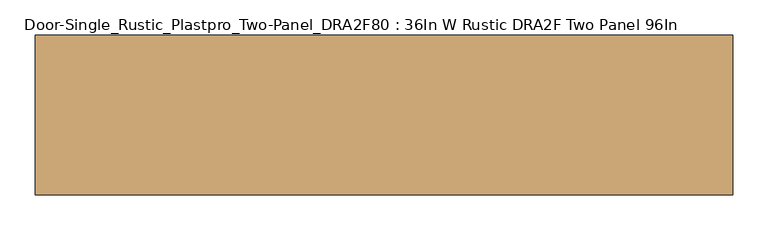
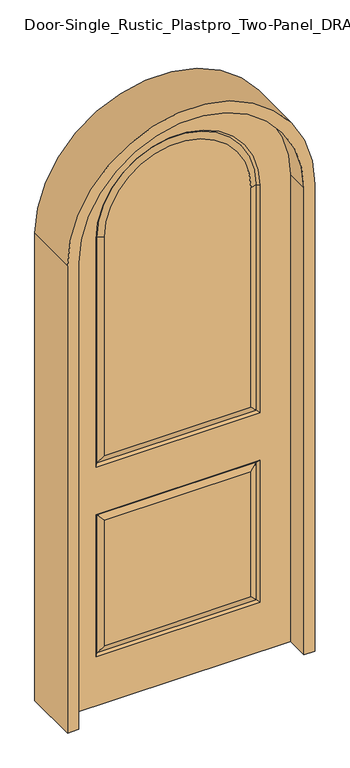
"""IFC4 building model written with IfcOpenShell, lengths in millimetres: door geometry, Door-Single_Rustic_Plastpro_Two-Panel_DRA2F80 : 36In W Rustic DRA2F Two Panel 96In."""

import ifcopenshell
import ifcopenshell.guid

model = None  # the IFC model being written
_history = None  # IfcOwnerHistory: only IFC2X3 demands one
_inside = {}  # id of a spatial element -> (the spatial element, [elements in it])
_under = {}  # id of a project, library or spatial element -> (it, [spatial elements below it])
_declared = {}  # id of a project -> (the project, [libraries it declares])
_typed = {}  # id of a type object -> (the type object, [elements of that type])
_made_of = {}  # id of a material, layer set ... -> (it, [elements and type objects made of it])


def new_model(schema):
    """Start an empty IFC model of exactly this schema.

    Asked for "IFC4X3", IfcOpenShell would pick the latest addendum, in which some entities
    have other attributes; the version numbers below select the first issue.
    IFC2X3 requires an IfcOwnerHistory on every rooted entity: one is made here for all.
    """
    global model, _history
    if schema == "IFC4X3":
        model = ifcopenshell.file(schema_version=(4, 3, 0, 0))
    else:
        model = ifcopenshell.file(schema=schema)
    _inside.clear()
    _under.clear()
    _declared.clear()
    _typed.clear()
    _made_of.clear()
    _history = None
    if model.schema == "IFC2X3":
        org = make("IfcOrganization", Name="unknown")
        user = make(
            "IfcPersonAndOrganization",
            ThePerson=make("IfcPerson", FamilyName="unknown"),
            TheOrganization=org,
        )
        app = make(
            "IfcApplication",
            ApplicationDeveloper=org,
            Version="unknown",
            ApplicationFullName="unknown",
            ApplicationIdentifier="unknown",
        )
        _history = make(
            "IfcOwnerHistory",
            OwningUser=user,
            OwningApplication=app,
            ChangeAction="ADDED",
            CreationDate=0,
        )
    return model


def make(cls, **values):
    """One entity of the class cls with the attributes given. An attribute that is None is left unset."""
    return model.create_entity(
        cls, **{name: value for name, value in values.items() if value is not None}
    )


def rooted(cls, **values):
    """An entity with a GlobalId (a new one), such as an element, a storey or a relation."""
    return make(cls, GlobalId=ifcopenshell.guid.new(), OwnerHistory=_history, **values)


def si_unit(unit_type, name, prefix=None):
    """IfcSIUnit, for example si_unit("LENGTHUNIT", "METRE", prefix="MILLI")."""
    return make("IfcSIUnit", UnitType=unit_type, Prefix=prefix, Name=name)


def assignment(units):
    """IfcUnitAssignment: the units of a project."""
    return None if units is None else make("IfcUnitAssignment", Units=units)


def point(xyz):
    """IfcCartesianPoint."""
    return None if xyz is None else make("IfcCartesianPoint", Coordinates=xyz)


def direction(xyz):
    """IfcDirection."""
    return None if xyz is None else make("IfcDirection", DirectionRatios=xyz)


def frame(location, z_axis=None, x_axis=None):
    """IfcAxis2Placement3D, a coordinate frame: its origin and axes. An axis left out is left unset."""
    return make(
        "IfcAxis2Placement3D",
        Location=point(location),
        Axis=direction(z_axis),
        RefDirection=direction(x_axis),
    )


def frame_2d(location, x_axis=None):
    """IfcAxis2Placement2D, a coordinate frame in the plane: its origin and x axis."""
    return make(
        "IfcAxis2Placement2D", Location=point(location), RefDirection=direction(x_axis)
    )


def origin():
    """The frame at (0, 0, 0) with its axes left unset."""
    return frame((0.0, 0.0, 0.0))


def place(relative_to, where):
    """IfcLocalPlacement: puts the frame where relative to a parent placement (None: the world)."""
    return make(
        "IfcLocalPlacement", PlacementRelTo=relative_to, RelativePlacement=where
    )


def context(
    kind, dimensions, precision=None, world=None, true_north=None, identifier=None
):
    """IfcGeometricRepresentationContext, for example the 3D "Model" context."""
    return make(
        "IfcGeometricRepresentationContext",
        ContextIdentifier=identifier,
        ContextType=kind,
        CoordinateSpaceDimension=dimensions,
        Precision=precision,
        WorldCoordinateSystem=world,
        TrueNorth=true_north,
    )


def project(units=None, contexts=None):
    """IfcProject with its units and contexts."""
    return rooted(
        "IfcProject",
        Name="project",
        RepresentationContexts=contexts,
        UnitsInContext=assignment(units),
    )


def spatial(cls, under=None, at=None, **own):
    """A site, building, storey or space (cls), placed at a placement, below another one or the project."""
    s = rooted(cls, ObjectPlacement=at, **own)
    if under is not None:
        _under.setdefault(under.id(), (under, []))[1].append(s)
    return s


def polyline(points):
    """IfcPolyline through the points."""
    return make("IfcPolyline", Points=[point(p) for p in points])


def circle_curve(where, radius):
    """IfcCircle in the frame where."""
    return make("IfcCircle", Position=where, Radius=radius)


def trimmed(basis, trim1, trim2, sense, master):
    """IfcTrimmedCurve: the piece of a basis curve between two trims."""
    return make(
        "IfcTrimmedCurve",
        BasisCurve=basis,
        Trim1=trim1,
        Trim2=trim2,
        SenseAgreement=sense,
        MasterRepresentation=master,
    )


def segment(curve, same_sense, transition):
    """IfcCompositeCurveSegment."""
    return make(
        "IfcCompositeCurveSegment",
        Transition=transition,
        SameSense=same_sense,
        ParentCurve=curve,
    )


def composite_curve(segments, self_intersect=None):
    """IfcCompositeCurve: segments joined end to end."""
    return make("IfcCompositeCurve", Segments=segments, SelfIntersect=self_intersect)


def outline(outer, holes=None, kind="AREA"):
    """IfcArbitraryClosedProfileDef: a profile drawn as a closed curve; with holes, ...WithVoids."""
    if holes is None:
        return make("IfcArbitraryClosedProfileDef", ProfileType=kind, OuterCurve=outer)
    return make(
        "IfcArbitraryProfileDefWithVoids",
        ProfileType=kind,
        OuterCurve=outer,
        InnerCurves=holes,
    )


def extrude(swept, where, along, depth):
    """IfcExtrudedAreaSolid: the profile swept, set in the frame where, extruded along a direction by depth."""
    return make(
        "IfcExtrudedAreaSolid",
        SweptArea=swept,
        Position=where,
        ExtrudedDirection=direction(along),
        Depth=depth,
    )


def shape(context_of_items, identifier, shape_type, items):
    """IfcShapeRepresentation: the items that make up one representation, for example the "Body"."""
    return make(
        "IfcShapeRepresentation",
        ContextOfItems=context_of_items,
        RepresentationIdentifier=identifier,
        RepresentationType=shape_type,
        Items=items,
    )


def source(mapping_origin, context_of_items, identifier, shape_type, items):
    """IfcRepresentationMap: a shape defined once, which mapped items show again and again."""
    return make(
        "IfcRepresentationMap",
        MappingOrigin=mapping_origin,
        MappedRepresentation=shape(context_of_items, identifier, shape_type, items),
    )


def transform(
    local_origin,
    x_axis=None,
    y_axis=None,
    z_axis=None,
    scale=None,
    scale2=None,
    scale3=None,
    uniform=True,
):
    """IfcCartesianTransformationOperator3D, or its non-uniform kind. x_axis, y_axis, z_axis: its Axis1, 2, 3."""
    if uniform:
        return make(
            "IfcCartesianTransformationOperator3D",
            Axis1=direction(x_axis),
            Axis2=direction(y_axis),
            LocalOrigin=point(local_origin),
            Scale=scale,
            Axis3=direction(z_axis),
        )
    return make(
        "IfcCartesianTransformationOperator3DnonUniform",
        Axis1=direction(x_axis),
        Axis2=direction(y_axis),
        LocalOrigin=point(local_origin),
        Scale=scale,
        Axis3=direction(z_axis),
        Scale2=scale2,
        Scale3=scale3,
    )


def mapped(mapping_source, mapping_target):
    """IfcMappedItem: shows the shape of a source again, moved by a transform."""
    return make(
        "IfcMappedItem", MappingSource=mapping_source, MappingTarget=mapping_target
    )


def made_of(thing, what):
    """Note that an element or type object is made of a material, layer set ...; save() writes the relation."""
    if what is not None:
        _made_of.setdefault(what.id(), (what, []))[1].append(thing)
    return thing


def element(
    cls,
    number,
    at=None,
    inside=None,
    cuts=None,
    type_object=None,
    material=None,
    context=None,
    identifier="Body",
    shape_type=None,
    held_by="IfcProductDefinitionShape",
    body=None,
    shapes=None,
    **own,
):
    """One element of the class cls, such as IfcWall. Its Tag is "e" and its number.

    at: its placement. inside: the storey or other place that contains it. cuts: it is an
    opening in that element (IfcRelVoidsElement). A single representation is given by context,
    identifier, shape_type and body (its items); several are given by shapes. held_by: the class
    of the entity that holds the representations. save() writes the other relations.
    """
    e = rooted(cls, Tag="e%d" % number, ObjectPlacement=at, **own)
    if body is not None:
        shapes = [shape(context, identifier, shape_type, body)]
    if shapes is not None:
        e.Representation = make(held_by, Representations=shapes)
    if inside is not None:
        _inside.setdefault(inside.id(), (inside, []))[1].append(e)
    if cuts is not None:
        rooted(
            "IfcRelVoidsElement", RelatingBuildingElement=cuts, RelatedOpeningElement=e
        )
    if type_object is not None:
        _typed.setdefault(type_object.id(), (type_object, []))[1].append(e)
    return made_of(e, material)


def aggregate(whole, parts):
    """IfcRelAggregates: a whole, such as a stair, and the parts it consists of."""
    return rooted("IfcRelAggregates", RelatingObject=whole, RelatedObjects=parts)


def save(model, path):
    """Write the relations noted so far, then the file.

    IfcRelAggregates (storeys below a building ...), IfcRelContainedInSpatialStructure (elements
    in a storey), IfcRelDefinesByType, IfcRelAssociatesMaterial and IfcRelDeclares: one each for
    every whole, place, type object, material and project.
    """
    for whole, parts in _under.values():
        aggregate(whole, parts)
    for where, things in _inside.values():
        rooted(
            "IfcRelContainedInSpatialStructure",
            RelatedElements=things,
            RelatingStructure=where,
        )
    for kind, things in _typed.values():
        rooted("IfcRelDefinesByType", RelatedObjects=things, RelatingType=kind)
    for what, things in _made_of.values():
        rooted("IfcRelAssociatesMaterial", RelatedObjects=things, RelatingMaterial=what)
    for by, libraries in _declared.values():
        rooted("IfcRelDeclares", RelatingContext=by, RelatedDefinitions=libraries)
    model.write(path)


def plane_surface(at):
    """IfcPlane: the flat surface through the origin of the frame at, square to its z axis."""
    return make("IfcPlane", Position=at)


def cylinder_surface(at, radius):
    """IfcCylindricalSurface: all points at the distance radius from the z axis of the frame at."""
    return make("IfcCylindricalSurface", Position=at, Radius=radius)


def revolved_surface(curve, axis_point, axis_direction):
    """IfcSurfaceOfRevolution: the curve turned about the line through axis_point along axis_direction."""
    return make(
        "IfcSurfaceOfRevolution",
        SweptCurve=make("IfcArbitraryOpenProfileDef", ProfileType="CURVE", Curve=curve),
        AxisPosition=make("IfcAxis1Placement", Location=point(axis_point), Axis=direction(axis_direction)),
    )


def advanced_brep(points, edges, surfaces, faces):
    """IfcAdvancedBrep: a solid bounded by faces that lie on surfaces and meet in shared edges.

    An edge is (start, end): straight between two places in points (the first is 0);
    or (start, end, curve); or (start, end, curve, False) where it runs against its curve.
    A face is (place in surfaces, loops), or (place, loops, False) where it looks against
    its surface's normal. A loop lists edges by number (the first is 1), with a minus sign
    where the edge is run from its end to its start. The first loop is the outer one.
    """
    corners = [point(p) for p in points]
    vertices = [make("IfcVertexPoint", VertexGeometry=c) for c in corners]
    made = []
    for start, end, *more in edges:
        made.append(
            make(
                "IfcEdgeCurve",
                EdgeStart=vertices[start],
                EdgeEnd=vertices[end],
                EdgeGeometry=more[0] if more else make("IfcPolyline", Points=[corners[start], corners[end]]),
                SameSense=more[1] if len(more) > 1 else True,
            )
        )
    hull = []
    for where, loops, *sense in faces:
        bounds = []
        for j, loop in enumerate(loops):
            ring = [make("IfcOrientedEdge", EdgeElement=made[abs(k) - 1], Orientation=k > 0) for k in loop]
            bounds.append(
                make(
                    "IfcFaceOuterBound" if j == 0 else "IfcFaceBound",
                    Bound=make("IfcEdgeLoop", EdgeList=ring),
                    Orientation=True,
                )
            )
        hull.append(make("IfcAdvancedFace", Bounds=bounds, FaceSurface=surfaces[where], SameSense=sense[0] if sense else True))
    return make("IfcAdvancedBrep", Outer=make("IfcClosedShell", CfsFaces=hull))


def door_single_rustic_plastpro_two_panel_dra2f80_36in_w_rustic_5ebbb071(model_context):
    return source(origin(), model_context, "Body", "SolidModel", [
        advanced_brep(
        [(-321.2197439, -11.6572439, 1024.9802561), (321.2197439, -11.6572439, 1024.9802561), (295.1391864, -20.6375, 1051.0608136), (-295.1391864, -20.6375, 1051.0608136), (-330.2, -20.6375, 1016.0), (330.2, -20.6375, 1016.0), (-321.2197439, -11.6572439, 1984.375), (-330.2, -20.6375, 1984.375), (295.1391864, -20.6375, 1984.375), (-295.1391864, -20.6375, 1984.375), (-457.2, -20.6375, 0.0), (457.2, -20.6375, 0.0), (457.2, -20.6375, 1984.375), (-457.2, -20.6375, 1984.375), (330.2, -20.6375, 1984.375), (330.2, -20.6375, 209.55), (-330.2, -20.6375, 209.55), (-330.2, -20.6375, 812.8), (330.2, -20.6375, 812.8), (-295.1391864, -20.6375, 244.6108136), (295.1391864, -20.6375, 244.6108136), (295.1391864, -20.6375, 777.7391864), (-295.1391864, -20.6375, 777.7391864), (321.2197439, -11.6572439, 1984.375), (-321.2197439, 11.6572439, 1024.9802561), (321.2197439, 11.6572439, 1024.9802561), (330.2, 20.6375, 1016.0), (-330.2, 20.6375, 1016.0), (-295.1391864, 20.6375, 1051.0608136), (295.1391864, 20.6375, 1051.0608136), (-321.2197439, 11.6572439, 1984.375), (-295.1391864, 20.6375, 1984.375), (295.1391864, 20.6375, 1984.375), (-457.2, 20.6375, 0.0), (-457.2, 20.6375, 1984.375), (457.2, 20.6375, 1984.375), (457.2, 20.6375, 0.0), (330.2, 20.6375, 1984.375), (-330.2, 20.6375, 1984.375), (-330.2, 20.6375, 209.55), (330.2, 20.6375, 209.55), (330.2, 20.6375, 812.8), (-330.2, 20.6375, 812.8), (295.1391864, 20.6375, 244.6108136), (-295.1391864, 20.6375, 244.6108136), (-295.1391864, 20.6375, 777.7391864), (295.1391864, 20.6375, 777.7391864), (321.2197439, 11.6572439, 1984.375), (321.2197439, -11.6572439, 218.5302561), (-321.2197439, -11.6572439, 218.5302561), (-321.2197439, -11.6572439, 803.8197439), (321.2197439, -11.6572439, 803.8197439), (321.2197439, 11.6572439, 218.5302561), (-321.2197439, 11.6572439, 218.5302561), (-321.2197439, 11.6572439, 803.8197439), (321.2197439, 11.6572439, 803.8197439)],
        [
            (0, 1),
            (1, 2),
            (2, 3),
            (3, 0),
            (0, 4),
            (4, 5),
            (5, 1),
            (0, 6),
            (6, 7),
            (7, 4),
            (2, 8),
            (8, 9, circle_curve(frame((0.0, -20.6375, 1984.375), z_axis=(0.0, -1.0, 0.0), x_axis=(-1.0, 0.0, 0.0)), 295.1391864)),
            (9, 3),
            (10, 11),
            (11, 12),
            (12, 13, circle_curve(frame((0.0, -20.6375, 1984.375), z_axis=(0.0, -1.0, 0.0), x_axis=(1.0, 0.0, 0.0)), 457.2)),
            (13, 10),
            (7, 14, circle_curve(frame((0.0, -20.6375, 1984.375), z_axis=(0.0, 1.0, 0.0), x_axis=(-1.0, 0.0, 0.0)), 330.2)),
            (14, 5),
            (15, 16),
            (16, 17),
            (17, 18),
            (18, 15),
            (19, 20),
            (20, 21),
            (21, 22),
            (22, 19),
            (14, 23),
            (23, 1),
            (23, 8),
            (9, 6),
            (24, 25),
            (25, 26),
            (26, 27),
            (27, 24),
            (24, 28),
            (28, 29),
            (29, 25),
            (24, 30),
            (30, 31),
            (31, 28),
            (31, 32, circle_curve(frame((0.0, 20.6375, 1984.375), z_axis=(0.0, 1.0, 0.0), x_axis=(-1.0, 0.0, 0.0)), 295.1391864)),
            (32, 29),
            (33, 34),
            (34, 35, circle_curve(frame((0.0, 20.6375, 1984.375), z_axis=(0.0, 1.0, 0.0), x_axis=(1.0, 0.0, 0.0)), 457.2)),
            (35, 36),
            (36, 33),
            (26, 37),
            (37, 38, circle_curve(frame((0.0, 20.6375, 1984.375), z_axis=(0.0, -1.0, 0.0), x_axis=(-1.0, 0.0, 0.0)), 330.2)),
            (38, 27),
            (39, 40),
            (40, 41),
            (41, 42),
            (42, 39),
            (43, 44),
            (44, 45),
            (45, 46),
            (46, 43),
            (32, 47),
            (47, 25),
            (47, 37),
            (38, 30),
            (10, 33),
            (36, 11),
            (35, 12),
            (13, 34),
            (48, 49),
            (49, 16),
            (15, 48),
            (49, 50),
            (50, 17),
            (50, 51),
            (51, 18),
            (51, 48),
            (48, 20),
            (19, 49),
            (51, 21),
            (50, 22),
            (52, 53),
            (53, 44),
            (43, 52),
            (53, 54),
            (54, 45),
            (54, 55),
            (55, 46),
            (55, 52),
            (52, 40),
            (39, 53),
            (55, 41),
            (54, 42),
            (6, 23, circle_curve(frame((0.0, -11.6572439, 1984.375), z_axis=(0.0, 1.0, 0.0), x_axis=(-1.0, 0.0, 0.0)), 321.2197439)),
            (47, 30, circle_curve(frame((0.0, 11.6572439, 1984.375), z_axis=(0.0, -1.0, 0.0), x_axis=(-1.0, 0.0, 0.0)), 321.2197439)),
        ],
        [
            plane_surface(frame((321.2197439, -11.6572439, 1024.9802561), z_axis=(0.0, -0.9455185755993155, -0.32556815445716036), x_axis=(-1.0, 0.0, 0.0))),
            plane_surface(frame((330.2, -20.6375, 1016.0), z_axis=(0.0, -0.7071067811865515, 0.7071067811865437), x_axis=(-1.0, 0.0, 0.0))),
            plane_surface(frame((-330.2, -20.6375, 1016.0), z_axis=(0.7071067811865437, -0.7071067811865515, 0.0), x_axis=(0.0, 0.0, 1.0))),
            plane_surface(frame((-457.2, -20.6375, 0.0), z_axis=(0.0, -1.0, 0.0), x_axis=(1.0, 0.0, 0.0))),
            plane_surface(frame((330.2, -20.6375, 1984.375), z_axis=(-0.7071067811865437, -0.7071067811865515, 0.0), x_axis=(0.0, 0.0, -1.0))),
            plane_surface(frame((321.2197439, -11.6572439, 1984.375), z_axis=(0.32556815445716036, -0.9455185755993155, 0.0), x_axis=(0.0, 0.0, -1.0))),
            plane_surface(frame((-321.2197439, -11.6572439, 1024.9802561), z_axis=(-0.32556815445716036, -0.9455185755993155, 0.0), x_axis=(0.0, 0.0, 1.0))),
            plane_surface(frame((321.2197439, 11.6572439, 1024.9802561), z_axis=(0.0, 0.7071067811865487, 0.7071067811865465), x_axis=(-1.0, 0.0, 0.0))),
            plane_surface(frame((295.1391864, 20.6375, 1051.0608136), z_axis=(0.0, 0.9455185755993156, -0.3255681544571602), x_axis=(-1.0, 0.0, 0.0))),
            plane_surface(frame((-295.1391864, 20.6375, 1051.0608136), z_axis=(-0.3255681544571602, 0.9455185755993156, 0.0), x_axis=(0.0, 0.0, 1.0))),
            plane_surface(frame((-457.2, 20.6375, 0.0), z_axis=(0.0, 1.0, 0.0), x_axis=(-1.0, 0.0, 0.0))),
            plane_surface(frame((295.1391864, 20.6375, 1984.375), z_axis=(0.3255681544571602, 0.9455185755993156, 0.0), x_axis=(0.0, 0.0, -1.0))),
            plane_surface(frame((321.2197439, 11.6572439, 1984.375), z_axis=(-0.7071067811865465, 0.7071067811865487, 0.0), x_axis=(0.0, 0.0, -1.0))),
            plane_surface(frame((-321.2197439, 11.6572439, 1024.9802561), z_axis=(0.7071067811865465, 0.7071067811865487, 0.0), x_axis=(0.0, 0.0, 1.0))),
            plane_surface(frame((-457.2, -20.6375, 0.0), z_axis=(0.0, 0.0, -1.0), x_axis=(0.0, 1.0, 0.0))),
            plane_surface(frame((457.2, -20.6375, 0.0), z_axis=(1.0, 0.0, 0.0), x_axis=(0.0, 1.0, 0.0))),
            plane_surface(frame((-457.2, -20.6375, 1984.375), z_axis=(-1.0, 0.0, 0.0), x_axis=(0.0, 1.0, 0.0))),
            plane_surface(frame((330.2, -20.6375, 209.55), z_axis=(0.0, -0.7071067811865436, 0.7071067811865516), x_axis=(-1.0, 0.0, 0.0))),
            plane_surface(frame((-330.2, -20.6375, 209.55), z_axis=(0.7071067811865516, -0.7071067811865436, 0.0), x_axis=(0.0, 0.0, 1.0))),
            plane_surface(frame((-330.2, -20.6375, 812.8), z_axis=(0.0, -0.7071067811865436, -0.7071067811865516), x_axis=(1.0, 0.0, 0.0))),
            plane_surface(frame((330.2, -20.6375, 812.8), z_axis=(-0.7071067811865516, -0.7071067811865436, 0.0), x_axis=(0.0, 0.0, -1.0))),
            plane_surface(frame((321.2197439, -11.6572439, 218.5302561), z_axis=(0.0, -0.9455185755993154, -0.3255681544571611), x_axis=(-1.0, 0.0, 0.0))),
            plane_surface(frame((321.2197439, -11.6572439, 803.8197439), z_axis=(0.3255681544571611, -0.9455185755993154, 0.0), x_axis=(0.0, 0.0, -1.0))),
            plane_surface(frame((-321.2197439, -11.6572439, 803.8197439), z_axis=(0.0, -0.9455185755993154, 0.3255681544571611), x_axis=(1.0, 0.0, 0.0))),
            plane_surface(frame((-321.2197439, -11.6572439, 218.5302561), z_axis=(-0.3255681544571611, -0.9455185755993154, 0.0), x_axis=(0.0, 0.0, 1.0))),
            plane_surface(frame((295.1391864, 20.6375, 244.6108136), z_axis=(0.0, 0.9455185755993154, -0.3255681544571607), x_axis=(-1.0, 0.0, 0.0))),
            plane_surface(frame((-295.1391864, 20.6375, 244.6108136), z_axis=(-0.3255681544571607, 0.9455185755993154, 0.0), x_axis=(0.0, 0.0, 1.0))),
            plane_surface(frame((-295.1391864, 20.6375, 777.7391864), z_axis=(0.0, 0.9455185755993154, 0.3255681544571607), x_axis=(1.0, 0.0, 0.0))),
            plane_surface(frame((295.1391864, 20.6375, 777.7391864), z_axis=(0.3255681544571607, 0.9455185755993154, 0.0), x_axis=(0.0, 0.0, -1.0))),
            plane_surface(frame((321.2197439, 11.6572439, 218.5302561), z_axis=(0.0, 0.7071067811865436, 0.7071067811865516), x_axis=(-1.0, 0.0, 0.0))),
            plane_surface(frame((321.2197439, 11.6572439, 803.8197439), z_axis=(-0.7071067811865516, 0.7071067811865436, 0.0), x_axis=(0.0, 0.0, -1.0))),
            plane_surface(frame((-321.2197439, 11.6572439, 803.8197439), z_axis=(0.0, 0.7071067811865436, -0.7071067811865516), x_axis=(1.0, 0.0, 0.0))),
            plane_surface(frame((-321.2197439, 11.6572439, 218.5302561), z_axis=(0.7071067811865516, 0.7071067811865436, 0.0), x_axis=(0.0, 0.0, 1.0))),
            cylinder_surface(frame((0.0, 20.6375, 1984.375), z_axis=(0.0, -1.0, 0.0), x_axis=(1.0, 0.0, 0.0)), 457.2),
            revolved_surface(polyline([(-321.2197439, -11.6572439, 1984.375), (-330.2, -20.6375, 1984.375)]), (0.0, 0.0, 1984.375), (0.0, 1.0, 0.0)),
            revolved_surface(polyline([(-330.2, 20.6375, 1984.375), (-321.2197439, 11.6572439, 1984.375)]), (0.0, 0.0, 1984.375), (0.0, 1.0, 0.0)),
            revolved_surface(polyline([(-295.1391864, -20.6375, 1984.375), (-321.2197439, -11.6572439, 1984.375)]), (0.0, 0.0, 1984.375), (0.0, 1.0, 0.0)),
            revolved_surface(polyline([(-321.2197439, 11.6572439, 1984.375), (-295.1391864, 20.6375, 1984.375)]), (0.0, 0.0, 1984.375), (0.0, 1.0, 0.0)),
        ],
        [
            (0, [[1, 2, 3, 4]]),
            (1, [[-1, 5, 6, 7]]),
            (2, [[-5, 8, 9, 10]]),
            (3, [[-3, 11, 12, 13]]),
            (3, [[14, 15, 16, 17], [-6, -10, 18, 19], [20, 21, 22, 23]]),
            (3, [[24, 25, 26, 27]]),
            (4, [[-7, -19, 28, 29]]),
            (5, [[-2, -29, 30, -11]]),
            (6, [[-4, -13, 31, -8]]),
            (7, [[32, 33, 34, 35]]),
            (8, [[-32, 36, 37, 38]]),
            (9, [[-36, 39, 40, 41]]),
            (10, [[-37, -41, 42, 43]]),
            (10, [[44, 45, 46, 47], [-34, 48, 49, 50], [51, 52, 53, 54]]),
            (10, [[55, 56, 57, 58]]),
            (11, [[-38, -43, 59, 60]]),
            (12, [[-33, -60, 61, -48]]),
            (13, [[-35, -50, 62, -39]]),
            (14, [[-14, 63, -47, 64]]),
            (15, [[-15, -64, -46, 65]]),
            (16, [[-17, 66, -44, -63]]),
            (17, [[67, 68, -20, 69]]),
            (18, [[-68, 70, 71, -21]]),
            (19, [[-71, 72, 73, -22]]),
            (20, [[-69, -23, -73, 74]]),
            (21, [[-67, 75, -24, 76]]),
            (22, [[-75, -74, 77, -25]]),
            (23, [[78, -26, -77, -72]]),
            (24, [[-76, -27, -78, -70]]),
            (25, [[79, 80, -55, 81]]),
            (26, [[-80, 82, 83, -56]]),
            (27, [[-83, 84, 85, -57]]),
            (28, [[-81, -58, -85, 86]]),
            (29, [[-79, 87, -51, 88]]),
            (30, [[-87, -86, 89, -52]]),
            (31, [[90, -53, -89, -84]]),
            (32, [[-88, -54, -90, -82]]),
            (33, [[-16, -65, -45, -66]]),
            (34, [[-9, 91, -28, -18]]),
            (35, [[-62, -49, -61, 92]]),
            (36, [[-31, -12, -30, -91]]),
            (37, [[-40, -92, -59, -42]]),
        ],
    ),
        extrude(outline(composite_curve([segment(trimmed(circle_curve(frame_2d((1986.816432, 0.0)), 498.475), [point((1986.816432, 498.475))], [point((1986.816432, -498.475))], False, "CARTESIAN"), True, "CONTINUOUS"), segment(polyline([(1986.816432, -498.475), (0.0, -498.475), (0.0, -454.152), (1984.375, -454.152)]), True, "CONTINUOUS"), segment(trimmed(circle_curve(frame_2d((1984.375, 0.0)), 454.152), [point((1984.375, -454.152))], [point((1984.375, 454.152))], True, "CARTESIAN"), True, "CONTINUOUS"), segment(polyline([(1984.375, 454.152), (0.0, 454.152), (0.0, 498.475), (1986.816432, 498.475)]), True, "CONTINUOUS")], self_intersect=False)), frame((0.0, -114.3, 0.0), z_axis=(0.0, 1.0, 0.0), x_axis=(0.0, 0.0, 1.0)), (0.0, 0.0, 1.0), 228.6),
    ])


if __name__ == "__main__":
    model = new_model("IFC4")
    model_context = context("Model", 3, world=origin())
    ifc_project = project(units=[si_unit("LENGTHUNIT", "METRE", prefix="MILLI")], contexts=[model_context])
    site = spatial("IfcSite", under=ifc_project)
    building = spatial("IfcBuilding", under=site)
    placement = place(None, origin())
    door_single_rustic_plastpro_two_panel_dra2f80_36in_w_rustic_shape = door_single_rustic_plastpro_two_panel_dra2f80_36in_w_rustic_5ebbb071(model_context)
    element("IfcDoor", 1, ObjectType="Door-Single_Rustic_Plastpro_Two-Panel_DRA2F80 : 36In W Rustic DRA2F Two Panel 96In", at=placement, inside=building, context=model_context, shape_type="MappedRepresentation", body=[
        mapped(door_single_rustic_plastpro_two_panel_dra2f80_36in_w_rustic_shape, transform((0.0, 0.0, 0.0), x_axis=(1.0, 0.0, 0.0), y_axis=(0.0, 1.0, 0.0), z_axis=(0.0, 0.0, 1.0))),
    ])
    save(model, "model.ifc")
